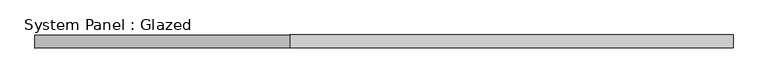
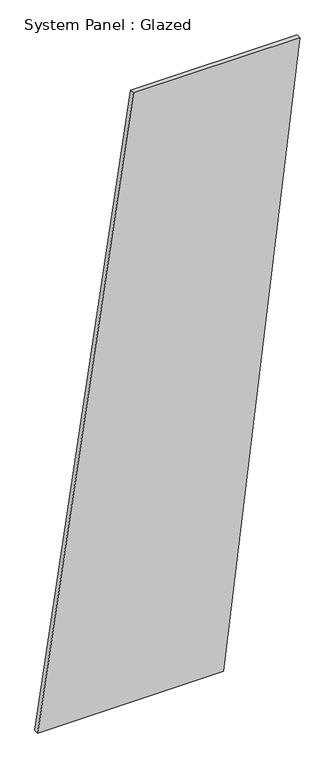
"""IFC4 building model written with IfcOpenShell, lengths in millimetres: plate geometry, System Panel : Glazed."""

from ifc_helpers import new_model, si_unit, frame, origin, place, context, project, spatial, polyline, outline, extrude, source, transform, mapped, element, save


def system_panel_glazed_aa3d94f6(model_context):
    return source(origin(), model_context, "Body", "SweptSolid", [
        extrude(outline(polyline([(0.0, -681.8137286), (0.0, 283.9602873), (3338.8114299, 681.8137286), (3338.8114299, -184.4969269), (0.0, -681.8137286)])), frame((0.0, -49.5, 0.0), z_axis=(0.0, 1.0, 0.0), x_axis=(0.0, 0.0, 1.0)), (0.0, 0.0, 1.0), 25.0),
    ])


if __name__ == "__main__":
    model = new_model("IFC4")
    model_context = context("Model", 3, world=origin())
    ifc_project = project(units=[si_unit("LENGTHUNIT", "METRE", prefix="MILLI")], contexts=[model_context])
    site = spatial("IfcSite", under=ifc_project)
    building = spatial("IfcBuilding", under=site)
    placement = place(None, origin())
    system_panel_glazed_shape = system_panel_glazed_aa3d94f6(model_context)
    element("IfcPlate", 1, ObjectType="System Panel : Glazed", at=placement, inside=building, context=model_context, shape_type="MappedRepresentation", body=[
        mapped(system_panel_glazed_shape, transform((0.0, 0.0, 0.0), x_axis=(1.0, 0.0, 0.0), y_axis=(0.0, 1.0, 0.0), z_axis=(0.0, 0.0, 1.0))),
    ])
    save(model, "model.ifc")
